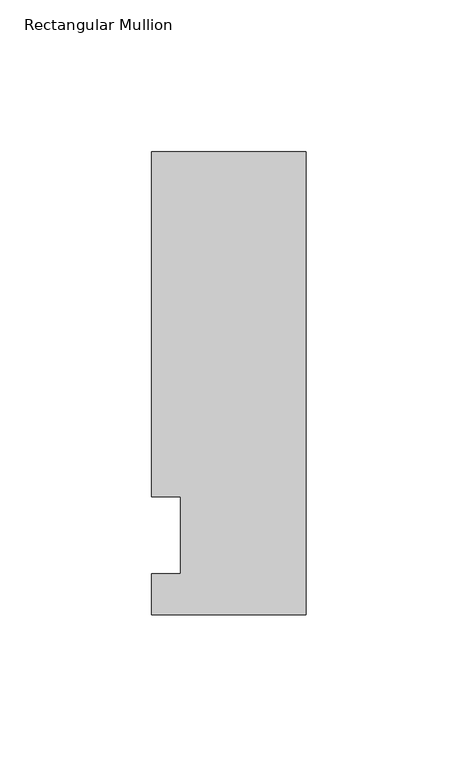
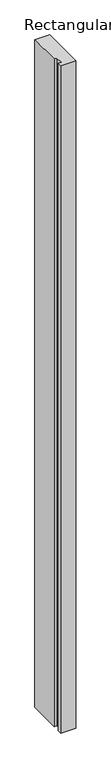
"""IFC4 building model written with IfcOpenShell, lengths in millimetres: member geometry, Rectangular Mullion."""

from ifc_helpers import new_model, si_unit, frame, origin, place, context, project, spatial, polyline, outline, extrude, source, transform, mapped, element, save


def rectangular_mullion_2462e04a(model_context):
    return source(origin(), model_context, "Body", "SweptSolid", [
        extrude(outline(polyline([(-25.4, 126.20625), (25.4, 126.20625), (25.4, -26.19375), (-25.4, -26.19375), (-25.4, -12.7), (-15.875, -12.7), (-15.875, 12.7), (-25.4, 12.7), (-25.4, 126.20625)])), frame((0.0, 0.0, -2400.3), z_axis=(0.0, 0.0, 1.0), x_axis=(1.0, 0.0, 0.0)), (0.0, 0.0, 1.0), 2400.3),
    ])


if __name__ == "__main__":
    model = new_model("IFC4")
    model_context = context("Model", 3, world=origin())
    ifc_project = project(units=[si_unit("LENGTHUNIT", "METRE", prefix="MILLI")], contexts=[model_context])
    site = spatial("IfcSite", under=ifc_project)
    building = spatial("IfcBuilding", under=site)
    placement = place(None, origin())
    rectangular_mullion_shape = rectangular_mullion_2462e04a(model_context)
    element("IfcMember", 1, ObjectType="Rectangular Mullion", at=placement, inside=building, context=model_context, shape_type="MappedRepresentation", body=[
        mapped(rectangular_mullion_shape, transform((0.0, 0.0, 0.0), x_axis=(1.0, 0.0, 0.0), y_axis=(0.0, 1.0, 0.0), z_axis=(0.0, 0.0, 1.0))),
    ])
    save(model, "model.ifc")
